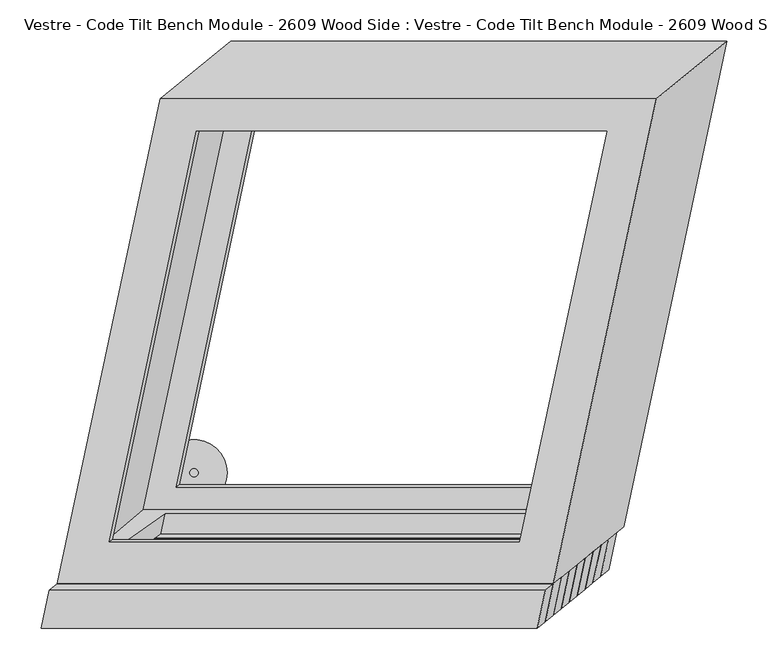
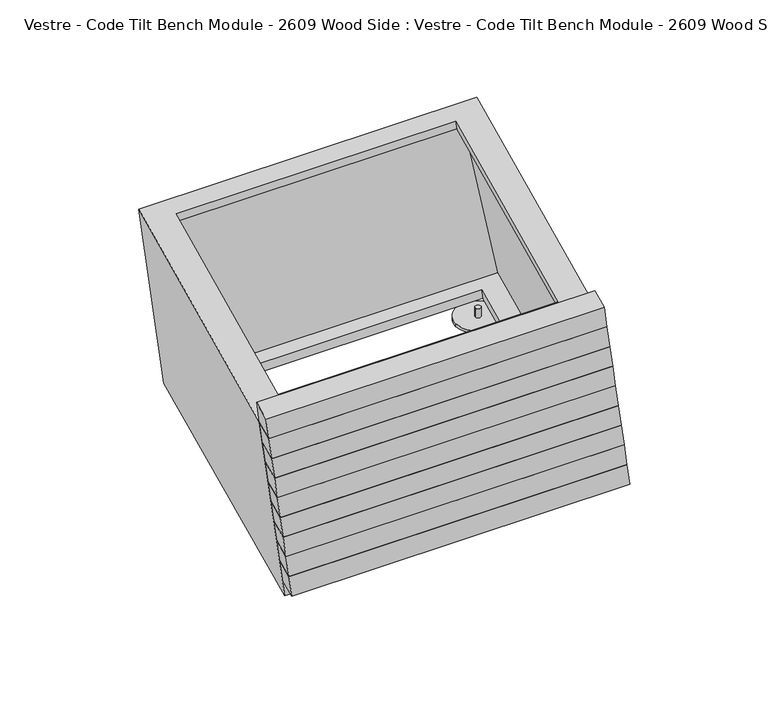
"""IFC4 building model written with IfcOpenShell, lengths in millimetres: furniture geometry, Vestre - Code Tilt Bench Module - 2609 Wood Side : Vestre - Code Tilt Bench Module - 2609 Wood Side."""

from ifc_helpers import new_model, si_unit, point, frame, frame_2d, origin, origin_with_axes, place, context, project, spatial, circle_curve, trimmed, segment, composite_curve, outline, extrude, faceted_brep, source, transform, mapped, element, save


def vestre_code_tilt_bench_module_2609_wood_side_vestre_code_22ae1fa5(model_context):
    return source(origin(), model_context, "Body", "SolidModel", [
        faceted_brep([(-447.3220091, -362.9784336, 419.8134138), (-457.0790396, -408.8816531, 419.8134138), (142.9209604, -408.8816531, 419.8134138), (152.6779909, -362.9784336, 419.8134138), (-437.6805725, -355.103719, 374.7462265), (162.3194275, -355.103719, 374.7462265), (152.5623969, -401.0069385, 374.7462265), (-447.4376031, -401.0069385, 374.7462265)], [[[0, 1, 2, 3]], [[4, 5, 6, 7]], [[5, 4, 0, 3]], [[6, 5, 3, 2]], [[7, 6, 2, 1]], [[4, 7, 1, 0]]]),
        extrude(outline(composite_curve([segment(trimmed(circle_curve(frame_2d((-282.0328456, -228.5027868)), 5.0), [point((-287.0328456, -228.5027868))], [point((-277.0328456, -228.5027868))], False, "CARTESIAN"), True, "CONTINUOUS"), segment(trimmed(circle_curve(frame_2d((-282.0328456, -228.5027868)), 5.0), [point((-277.0328456, -228.5027868))], [point((-287.0328456, -228.5027868))], False, "CARTESIAN"), True, "CONTINUOUS")], self_intersect=False)), frame((0.0, 0.0, 5.0), z_axis=(0.0, 0.0, 1.0), x_axis=(1.0, 0.0, 0.0)), (0.0, 0.0, 1.0), 16.8677277),
        extrude(outline(composite_curve([segment(trimmed(circle_curve(frame_2d((184.9661106, -228.5027868)), 5.0), [point((179.9661106, -228.5027868))], [point((189.9661106, -228.5027868))], False, "CARTESIAN"), True, "CONTINUOUS"), segment(trimmed(circle_curve(frame_2d((184.9661106, -228.5027868)), 5.0), [point((189.9661106, -228.5027868))], [point((179.9661106, -228.5027868))], False, "CARTESIAN"), True, "CONTINUOUS")], self_intersect=False)), frame((0.0, 0.0, 5.0), z_axis=(0.0, 0.0, 1.0), x_axis=(1.0, 0.0, 0.0)), (0.0, 0.0, 1.0), 16.8677277),
        extrude(outline(composite_curve([segment(trimmed(circle_curve(frame_2d((282.1707135, 228.4385142)), 5.0), [point((277.1707135, 228.4385142))], [point((287.1707135, 228.4385142))], False, "CARTESIAN"), True, "CONTINUOUS"), segment(trimmed(circle_curve(frame_2d((282.1707135, 228.4385142)), 5.0), [point((287.1707135, 228.4385142))], [point((277.1707135, 228.4385142))], False, "CARTESIAN"), True, "CONTINUOUS")], self_intersect=False)), frame((0.0, 0.0, 5.0), z_axis=(0.0, 0.0, 1.0), x_axis=(1.0, 0.0, 0.0)), (0.0, 0.0, 1.0), 16.8677277),
        extrude(outline(composite_curve([segment(trimmed(circle_curve(frame_2d((-184.8930564, 228.4385142)), 5.0), [point((-189.8930564, 228.4385142))], [point((-179.8930564, 228.4385142))], False, "CARTESIAN"), True, "CONTINUOUS"), segment(trimmed(circle_curve(frame_2d((-184.8930564, 228.4385142)), 5.0), [point((-179.8930564, 228.4385142))], [point((-189.8930564, 228.4385142))], False, "CARTESIAN"), True, "CONTINUOUS")], self_intersect=False)), frame((0.0, 0.0, 5.0), z_axis=(0.0, 0.0, 1.0), x_axis=(1.0, 0.0, 0.0)), (0.0, 0.0, 1.0), 16.8677277),
        faceted_brep([(152.6779909, -362.9784336, 419.8134138), (277.4250054, 223.9101268, 419.8134138), (-322.5749946, 223.9101268, 419.8134138), (-447.3220091, -362.9784336, 419.8134138), (111.5950883, -312.2208839, 419.8134138), (-384.6614061, -312.2208839, 419.8134138), (-279.0561813, 184.6126361, 419.8134138), (217.200313, 184.6126361, 419.8134138), (237.6264928, -293.4442802, 21.8677277), (-362.3735072, -293.4442802, 21.8677277), (-237.6264928, 293.4442802, 21.8677277), (362.3735072, 293.4442802, 21.8677277), (-299.7129042, -242.6867305, 21.8677277), (196.5435902, -242.6867305, 21.8677277), (300.1061699, 244.5369002, 21.8677277), (-196.1503245, 244.5369002, 21.8677277), (-393.776434, -355.103719, 374.7462265), (112.2821604, -355.103719, 374.7462265), (183.8977101, -302.1809189, 71.8677277), (-322.1608844, -302.1809189, 71.8677277), (115.1443609, -309.3156453, 403.1866612), (-381.1121334, -309.3156453, 403.1866612), (-303.7973866, -246.0300623, 41.0016985), (192.4591078, -246.0300623, 41.0016985), (-275.5922534, 187.1163595, 403.1866612), (-200.1365927, 241.6556298, 41.0016985), (220.664241, 187.1163595, 403.1866612), (296.1199017, 241.6556298, 41.0016985), (127.6313712, -332.9707916, 403.1866612), (-414.2091441, -332.9707916, 403.1866612), (-298.365818, 212.0292084, 403.1866612), (243.4746973, 212.0292084, 403.1866612), (225.4868228, -272.8781405, 41.0016985), (340.8394593, 269.8133464, 41.0016985), (-228.3217228, 269.8133464, 41.0016985), (-343.6743593, -272.8781405, 41.0016985), (117.9896611, -328.2520393, 374.7462265), (-388.0689333, -328.2520393, 374.7462265), (-317.0209312, -277.9993402, 71.8677277), (189.0376633, -277.9993402, 71.8677277)], [[[0, 1, 2, 3], [4, 5, 6, 7]], [[8, 9, 10, 11], [12, 13, 14, 15]], [[0, 3, 9, 8], [16, 17, 18, 19]], [[3, 2, 10, 9]], [[2, 1, 11, 10]], [[1, 0, 8, 11]], [[5, 4, 20, 21]], [[13, 12, 22, 23]], [[6, 5, 21, 24]], [[12, 15, 25, 22]], [[7, 6, 24, 26]], [[15, 14, 27, 25]], [[4, 7, 26, 20]], [[14, 13, 23, 27]], [[28, 29, 30, 31], [21, 20, 26, 24]], [[32, 33, 34, 35], [23, 22, 25, 27]], [[29, 28, 32, 35], [36, 37, 38, 39]], [[30, 29, 35, 34]], [[31, 30, 34, 33]], [[28, 31, 33, 32]], [[16, 37, 36, 17]], [[38, 19, 18, 39]], [[37, 16, 19, 38]], [[17, 36, 39, 18]]]),
        faceted_brep([(-379.9793258, -307.8554313, 104.3431028), (-389.7363564, -353.7586508, 104.3431028), (210.2636436, -353.7586508, 104.3431028), (220.0206742, -307.8554313, 104.3431028), (-370.3378893, -299.9807166, 59.2759155), (229.6621107, -299.9807166, 59.2759155), (219.9050802, -345.8839362, 59.2759155), (-380.0949198, -345.8839362, 59.2759155)], [[[0, 1, 2, 3]], [[4, 5, 6, 7]], [[5, 4, 0, 3]], [[6, 5, 3, 2]], [[7, 6, 2, 1]], [[4, 7, 1, 0]]]),
        faceted_brep([(-389.6207624, -315.7301459, 149.4102901), (-399.3777929, -361.6333654, 149.4102901), (200.6222071, -361.6333654, 149.4102901), (210.3792376, -315.7301459, 149.4102901), (-379.9793258, -307.8554313, 104.3431028), (220.0206742, -307.8554313, 104.3431028), (210.2636436, -353.7586508, 104.3431028), (-389.7363564, -353.7586508, 104.3431028)], [[[0, 1, 2, 3]], [[4, 5, 6, 7]], [[5, 4, 0, 3]], [[6, 5, 3, 2]], [[7, 6, 2, 1]], [[4, 7, 1, 0]]]),
        faceted_brep([(-399.2411457, -323.6048605, 194.4774774), (-408.9981763, -369.50808, 194.4774774), (191.0018237, -369.50808, 194.4774774), (200.7588543, -323.6048605, 194.4774774), (-389.5997092, -315.7301459, 149.4102901), (210.4002908, -315.7301459, 149.4102901), (200.6432603, -361.6333654, 149.4102901), (-399.3567397, -361.6333654, 149.4102901)], [[[0, 1, 2, 3]], [[4, 5, 6, 7]], [[5, 4, 0, 3]], [[6, 5, 3, 2]], [[7, 6, 2, 1]], [[4, 7, 1, 0]]]),
        faceted_brep([(-408.8615291, -331.4795751, 239.5446646), (-418.6185596, -377.3827947, 239.5446646), (181.3814404, -377.3827947, 239.5446646), (191.1384709, -331.4795751, 239.5446646), (-399.2200925, -323.6048605, 194.4774774), (200.7799075, -323.6048605, 194.4774774), (191.022877, -369.50808, 194.4774774), (-408.977123, -369.50808, 194.4774774)], [[[0, 1, 2, 3]], [[4, 5, 6, 7]], [[5, 4, 0, 3]], [[6, 5, 3, 2]], [[7, 6, 2, 1]], [[4, 7, 1, 0]]]),
        faceted_brep([(-418.4819124, -339.3542897, 284.6118519), (-428.2389429, -385.2575093, 284.6118519), (171.7610571, -385.2575093, 284.6118519), (181.5180876, -339.3542897, 284.6118519), (-408.8404758, -331.4795751, 239.5446646), (191.1595242, -331.4795751, 239.5446646), (181.4024937, -377.3827947, 239.5446646), (-418.5975063, -377.3827947, 239.5446646)], [[[0, 1, 2, 3]], [[4, 5, 6, 7]], [[5, 4, 0, 3]], [[6, 5, 3, 2]], [[7, 6, 2, 1]], [[4, 7, 1, 0]]]),
        faceted_brep([(-428.1022957, -347.2290044, 329.6790392), (-437.8593262, -393.1322239, 329.6790392), (162.1406738, -393.1322239, 329.6790392), (171.8977043, -347.2290044, 329.6790392), (-418.4608591, -339.3542897, 284.6118519), (181.5391409, -339.3542897, 284.6118519), (171.7821103, -385.2575093, 284.6118519), (-428.2178897, -385.2575093, 284.6118519)], [[[0, 1, 2, 3]], [[4, 5, 6, 7]], [[5, 4, 0, 3]], [[6, 5, 3, 2]], [[7, 6, 2, 1]], [[4, 7, 1, 0]]]),
        faceted_brep([(-437.6805725, -355.103719, 374.7462265), (-447.4376031, -401.0069385, 374.7462265), (152.5623969, -401.0069385, 374.7462265), (162.3194275, -355.103719, 374.7462265), (-428.039136, -347.2290044, 329.6790392), (171.960864, -347.2290044, 329.6790392), (162.2038335, -393.1322239, 329.6790392), (-437.7961665, -393.1322239, 329.6790392)], [[[0, 1, 2, 3]], [[4, 5, 6, 7]], [[5, 4, 0, 3]], [[6, 5, 3, 2]], [[7, 6, 2, 1]], [[4, 7, 1, 0]]]),
        faceted_brep([(-456.9678803, -370.8740111, 465.0), (-466.7241475, -416.7736396, 465.0), (133.2758525, -416.7736396, 465.0), (143.0321197, -370.8740111, 465.0), (-447.3220091, -362.9784336, 419.8134138), (152.6779909, -362.9784336, 419.8134138), (142.9209604, -408.8816531, 419.8134138), (-457.0790396, -408.8816531, 419.8134138)], [[[0, 1, 2, 3]], [[4, 5, 6, 7]], [[5, 4, 0, 3]], [[6, 5, 3, 2]], [[7, 6, 2, 1]], [[4, 7, 1, 0]]]),
        extrude(outline(composite_curve([segment(trimmed(circle_curve(frame_2d((-281.9772057, -228.2596966)), 40.0), [point((-321.9772057, -228.2596966))], [point((-241.9772057, -228.2596966))], False, "CARTESIAN"), True, "CONTINUOUS"), segment(trimmed(circle_curve(frame_2d((-281.9772057, -228.2596966)), 40.0), [point((-241.9772057, -228.2596966))], [point((-321.9772057, -228.2596966))], False, "CARTESIAN"), True, "CONTINUOUS")], self_intersect=False)), origin_with_axes(), (0.0, 0.0, 1.0), 5.0),
        extrude(outline(composite_curve([segment(trimmed(circle_curve(frame_2d((185.0217505, -228.2596966)), 40.0), [point((145.0217505, -228.2596966))], [point((225.0217505, -228.2596966))], False, "CARTESIAN"), True, "CONTINUOUS"), segment(trimmed(circle_curve(frame_2d((185.0217505, -228.2596966)), 40.0), [point((225.0217505, -228.2596966))], [point((145.0217505, -228.2596966))], False, "CARTESIAN"), True, "CONTINUOUS")], self_intersect=False)), origin_with_axes(), (0.0, 0.0, 1.0), 5.0),
        extrude(outline(composite_curve([segment(trimmed(circle_curve(frame_2d((282.2263535, 228.6816045)), 40.0), [point((242.2263535, 228.6816045))], [point((322.2263535, 228.6816045))], False, "CARTESIAN"), True, "CONTINUOUS"), segment(trimmed(circle_curve(frame_2d((282.2263535, 228.6816045)), 40.0), [point((322.2263535, 228.6816045))], [point((242.2263535, 228.6816045))], False, "CARTESIAN"), True, "CONTINUOUS")], self_intersect=False)), origin_with_axes(), (0.0, 0.0, 1.0), 5.0),
        extrude(outline(composite_curve([segment(trimmed(circle_curve(frame_2d((-184.8374164, 228.6816045)), 40.0), [point((-224.8374164, 228.6816045))], [point((-144.8374164, 228.6816045))], False, "CARTESIAN"), True, "CONTINUOUS"), segment(trimmed(circle_curve(frame_2d((-184.8374164, 228.6816045)), 40.0), [point((-144.8374164, 228.6816045))], [point((-224.8374164, 228.6816045))], False, "CARTESIAN"), True, "CONTINUOUS")], self_intersect=False)), origin_with_axes(), (0.0, 0.0, 1.0), 5.0),
    ])


if __name__ == "__main__":
    model = new_model("IFC4")
    model_context = context("Model", 3, world=origin())
    ifc_project = project(units=[si_unit("LENGTHUNIT", "METRE", prefix="MILLI")], contexts=[model_context])
    site = spatial("IfcSite", under=ifc_project)
    building = spatial("IfcBuilding", under=site)
    placement = place(None, origin())
    vestre_code_tilt_bench_module_2609_wood_side_vestre_code_shape = vestre_code_tilt_bench_module_2609_wood_side_vestre_code_22ae1fa5(model_context)
    element("IfcFurniture", 1, ObjectType="Vestre - Code Tilt Bench Module - 2609 Wood Side : Vestre - Code Tilt Bench Module - 2609 Wood Side", at=placement, inside=building, context=model_context, shape_type="MappedRepresentation", body=[
        mapped(vestre_code_tilt_bench_module_2609_wood_side_vestre_code_shape, transform((0.0, 0.0, 0.0), x_axis=(1.0, 0.0, 0.0), y_axis=(0.0, 1.0, 0.0), z_axis=(0.0, 0.0, 1.0))),
    ])
    save(model, "model.ifc")
